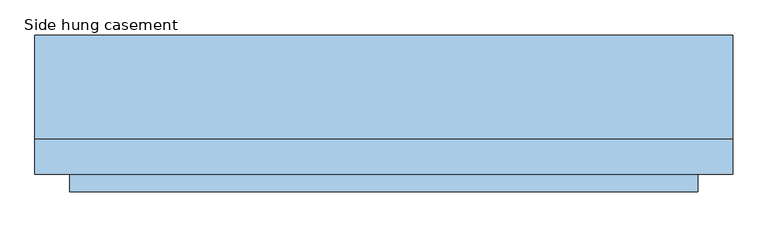
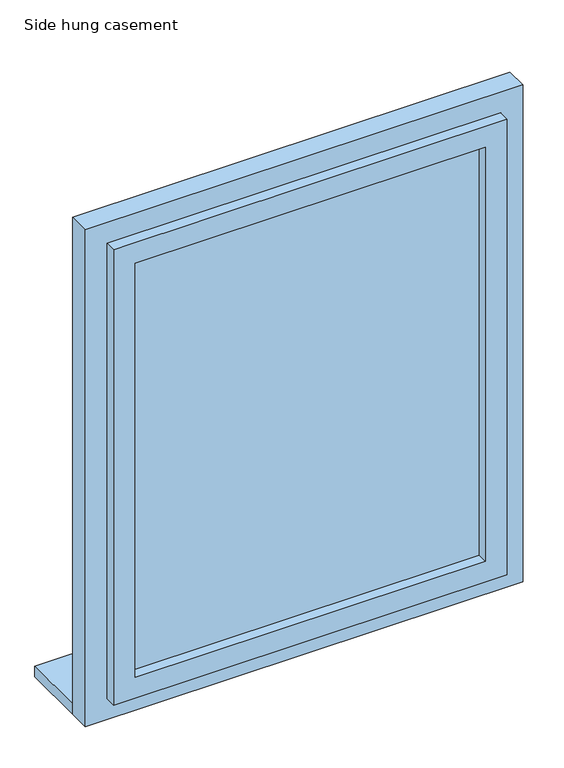
"""IFC4 building model written with IfcOpenShell, lengths in millimetres: window geometry, Side hung casement."""

from ifc_helpers import new_model, si_unit, frame, origin, place, context, project, spatial, polyline, outline, extrude, source, transform, mapped, element, save


def side_hung_casement_588459a1(model_context):
    return source(origin(), model_context, "Body", "SweptSolid", [
        extrude(outline(polyline([(400.0, -25.4811869), (-400.0, -25.4811869), (-400.0, -24.4811869), (400.0, -24.4811869), (400.0, -25.4811869)])), frame((0.0, 0.0, 900.0), z_axis=(0.0, 0.0, 1.0), x_axis=(1.0, 0.0, 0.0)), (0.0, 0.0, 1.0), 1000.0),
        extrude(outline(polyline([(1950.0, 450.0), (1950.0, -450.0), (850.0, -450.0), (850.0, 450.0), (1950.0, 450.0)]), holes=[polyline([(1900.0, 400.0), (900.0, 400.0), (900.0, -400.0), (1900.0, -400.0), (1900.0, 400.0)])]), frame((0.0, -49.4811869, 0.0), z_axis=(0.0, 1.0, 0.0), x_axis=(0.0, 0.0, 1.0)), (0.0, 0.0, 1.0), 49.4811869),
        extrude(outline(polyline([(2000.0, 500.0), (2000.0, -500.0), (800.0, -500.0), (800.0, 500.0), (2000.0, 500.0)]), holes=[polyline([(1950.0, 450.0), (850.0, 450.0), (850.0, -450.0), (1950.0, -450.0), (1950.0, 450.0)])]), frame((0.0, -24.4811869, 0.0), z_axis=(0.0, 1.0, 0.0), x_axis=(0.0, 0.0, 1.0)), (0.0, 0.0, 1.0), 50.0),
        extrude(outline(polyline([(500.0, 25.5188131), (-500.0, 25.5188131), (-500.0, 175.0), (500.0, 175.0), (500.0, 25.5188131)])), frame((0.0, 0.0, 800.0), z_axis=(0.0, 0.0, 1.0), x_axis=(1.0, 0.0, 0.0)), (0.0, 0.0, 1.0), 25.0),
    ])


if __name__ == "__main__":
    model = new_model("IFC4")
    model_context = context("Model", 3, world=origin())
    ifc_project = project(units=[si_unit("LENGTHUNIT", "METRE", prefix="MILLI")], contexts=[model_context])
    site = spatial("IfcSite", under=ifc_project)
    building = spatial("IfcBuilding", under=site)
    placement = place(None, origin())
    side_hung_casement_shape = side_hung_casement_588459a1(model_context)
    element("IfcWindow", 1, ObjectType="Side hung casement", at=placement, inside=building, context=model_context, shape_type="MappedRepresentation", body=[
        mapped(side_hung_casement_shape, transform((0.0, 0.0, 0.0), x_axis=(1.0, 0.0, 0.0), y_axis=(0.0, 1.0, 0.0), z_axis=(0.0, 0.0, 1.0))),
    ])
    save(model, "model.ifc")
